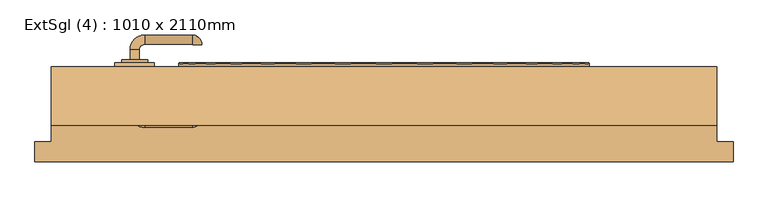
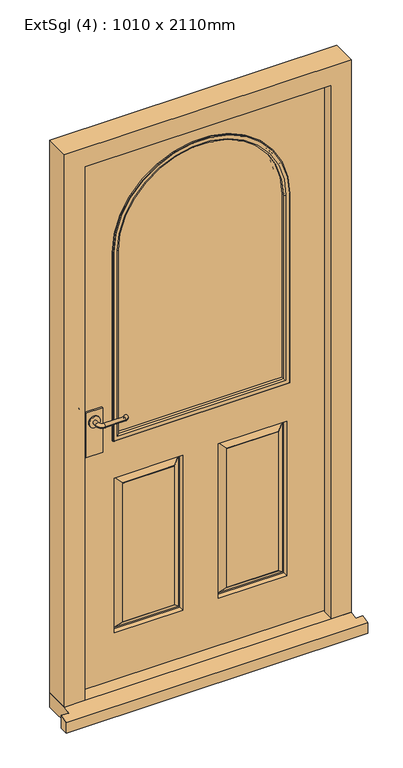
"""IFC4 building model written with IfcOpenShell, lengths in millimetres: door geometry, ExtSgl (4) : 1010 x 2110mm."""

from ifc_helpers import new_model, si_unit, point, frame, frame_2d, origin, place, context, project, spatial, polyline, circle_curve, ellipse_curve, trimmed, segment, composite_curve, outline, extrude, faceted_brep, source, transform, mapped, element, save
from ifc_brep_helpers import plane_surface, cylinder_surface, revolved_surface, advanced_brep


def extsgl_4_1010_x_2110mm_6954b51a(model_context):
    return source(origin(), model_context, "Body", "SolidModel", [
        extrude(outline(composite_curve([segment(trimmed(circle_curve(frame_2d((1050.0, -378.5)), 20.0), [point((1050.0, -398.5))], [point((1050.0, -358.5))], False, "CARTESIAN"), True, "CONTINUOUS"), segment(trimmed(circle_curve(frame_2d((1050.0, -378.5)), 20.0), [point((1050.0, -358.5))], [point((1050.0, -398.5))], False, "CARTESIAN"), True, "CONTINUOUS")], self_intersect=False)), frame((0.0, 58.0, 0.0), z_axis=(0.0, 1.0, 0.0), x_axis=(0.0, 0.0, 1.0)), (0.0, 0.0, 1.0), 4.5929895),
        advanced_brep(
        [(-371.5, 62.5929895, 1050.0), (-385.5, 62.5929895, 1050.0), (-371.5, 78.0, 1050.0), (-385.5, 78.0, 1050.0), (-363.5, 100.0, 1050.0), (-363.5, 86.0, 1050.0), (-291.5, 86.0, 1050.0), (-291.5, 100.0, 1050.0), (-290.5, 85.0, 1050.0), (-276.5, 85.0, 1050.0)],
        [
            (0, 1, circle_curve(frame((-378.5, 62.5929895, 1050.0), z_axis=(0.0, -1.0, 0.0), x_axis=(-1.0, 0.0, 0.0)), 7.0)),
            (1, 0, circle_curve(frame((-378.5, 62.5929895, 1050.0), z_axis=(0.0, -1.0, 0.0), x_axis=(-1.0, 0.0, 0.0)), 7.0)),
            (0, 2),
            (2, 3, circle_curve(frame((-378.5, 78.0, 1050.0), z_axis=(0.0, -1.0, 0.0), x_axis=(-1.0, 0.0, 0.0)), 7.0)),
            (3, 1),
            (3, 2, circle_curve(frame((-378.5, 78.0, 1050.0), z_axis=(0.0, -1.0, 0.0), x_axis=(-1.0, 0.0, 0.0)), 7.0)),
            (4, 3, circle_curve(frame((-363.5, 78.0, 1050.0), z_axis=(0.0, 0.0, 1.0), x_axis=(-1.0, 0.0, 0.0)), 22.0)),
            (2, 5, circle_curve(frame((-363.5, 78.0, 1050.0), z_axis=(0.0, 0.0, -1.0), x_axis=(-1.0, 0.0, 0.0)), 8.0)),
            (5, 4, circle_curve(frame((-363.5, 93.0, 1050.0), z_axis=(-1.0, 0.0, 0.0), x_axis=(0.0, 1.0, 0.0)), 7.0)),
            (4, 5, circle_curve(frame((-363.5, 93.0, 1050.0), z_axis=(-1.0, 0.0, 0.0), x_axis=(0.0, 1.0, 0.0)), 7.0)),
            (5, 6),
            (6, 7, circle_curve(frame((-291.5, 93.0, 1050.0), z_axis=(-1.0, 0.0, 0.0), x_axis=(0.0, 1.0, 0.0)), 7.0)),
            (7, 4),
            (7, 6, circle_curve(frame((-291.5, 93.0, 1050.0), z_axis=(-1.0, 0.0, 0.0), x_axis=(0.0, 1.0, 0.0)), 7.0)),
            (8, 9, circle_curve(frame((-283.5, 85.0, 1050.0), z_axis=(0.0, -1.0, 0.0), x_axis=(1.0, 0.0, 0.0)), 7.0)),
            (9, 8, circle_curve(frame((-283.5, 85.0, 1050.0), z_axis=(0.0, -1.0, 0.0), x_axis=(1.0, 0.0, 0.0)), 7.0)),
            (9, 7, circle_curve(frame((-291.5, 85.0, 1050.0), z_axis=(0.0, 0.0, 1.0), x_axis=(0.0, 1.0, 0.0)), 15.0)),
            (6, 8, circle_curve(frame((-291.5, 85.0, 1050.0), z_axis=(0.0, 0.0, -1.0), x_axis=(0.0, 1.0, 0.0)), 1.0)),
        ],
        [
            plane_surface(frame((-378.5, 62.5929895, 1050.0), z_axis=(0.0, -1.0, 0.0), x_axis=(0.0, 0.0, 1.0))),
            cylinder_surface(frame((-378.5, 62.5929895, 1050.0), z_axis=(0.0, -1.0, 0.0), x_axis=(-1.0, 0.0, 0.0)), 7.0),
            revolved_surface(trimmed(ellipse_curve(frame((-378.5, 78.0, 1050.0), z_axis=(0.0, -1.0, 0.0), x_axis=(-1.0, 0.0, 0.0)), 7.0, 7.0), [point((-371.5, 78.0, 1050.0))], [point((-385.5, 78.0, 1050.0))], True, "CARTESIAN"), (-363.5, 78.0, 1050.0), (0.0, 0.0, -1.0)),
            revolved_surface(trimmed(ellipse_curve(frame((-378.5, 78.0, 1050.0), z_axis=(0.0, -1.0, 0.0), x_axis=(-1.0, 0.0, 0.0)), 7.0, 7.0), [point((-385.5, 78.0, 1050.0))], [point((-371.5, 78.0, 1050.0))], True, "CARTESIAN"), (-363.5, 78.0, 1050.0), (0.0, 0.0, -1.0)),
            cylinder_surface(frame((-363.5, 93.0, 1050.0), z_axis=(-1.0, 0.0, 0.0), x_axis=(0.0, 1.0, 0.0)), 7.0),
            plane_surface(frame((-283.5, 85.0, 1050.0), z_axis=(0.0, -1.0, 0.0), x_axis=(0.0, 0.0, 1.0))),
            revolved_surface(trimmed(ellipse_curve(frame((-291.5, 93.0, 1050.0), z_axis=(-1.0, 0.0, 0.0), x_axis=(0.0, 1.0, 0.0)), 7.0, 7.0), [point((-291.5, 86.0, 1050.0))], [point((-291.5, 100.0, 1050.0))], True, "CARTESIAN"), (-291.5, 85.0, 1050.0), (0.0, 0.0, -1.0)),
            revolved_surface(trimmed(ellipse_curve(frame((-291.5, 93.0, 1050.0), z_axis=(-1.0, 0.0, 0.0), x_axis=(0.0, 1.0, 0.0)), 7.0, 7.0), [point((-291.5, 100.0, 1050.0))], [point((-291.5, 86.0, 1050.0))], True, "CARTESIAN"), (-291.5, 85.0, 1050.0), (0.0, 0.0, -1.0)),
        ],
        [
            (0, [[1, 2]]),
            (1, [[-1, 3, 4, 5]]),
            (1, [[-2, -5, 6, -3]]),
            (2, [[7, -4, 8, 9]]),
            (3, [[-8, -6, -7, 10]]),
            (4, [[-9, 11, 12, 13]]),
            (4, [[-10, -13, 14, -11]]),
            (5, [[15, 16]]),
            (6, [[17, -12, 18, -16]]),
            (7, [[-18, -14, -17, -15]]),
        ],
    ),
        extrude(outline(polyline([(-348.5, 52.0), (-408.5, 52.0), (-408.5, 58.0), (-348.5, 58.0), (-348.5, 52.0)])), frame((0.0, 0.0, 925.0), z_axis=(0.0, 0.0, 1.0), x_axis=(1.0, 0.0, 0.0)), (0.0, 0.0, 1.0), 165.0),
        extrude(outline(composite_curve([segment(trimmed(circle_curve(frame_2d((1050.0, -378.5)), 20.0), [point((1050.0, -398.5))], [point((1050.0, -358.5))], False, "CARTESIAN"), True, "CONTINUOUS"), segment(trimmed(circle_curve(frame_2d((1050.0, -378.5)), 20.0), [point((1050.0, -358.5))], [point((1050.0, -398.5))], False, "CARTESIAN"), True, "CONTINUOUS")], self_intersect=False)), frame((0.0, -2.5929895, 0.0), z_axis=(0.0, 1.0, 0.0), x_axis=(0.0, 0.0, 1.0)), (0.0, 0.0, 1.0), 4.5929895),
        advanced_brep(
        [(-371.5, -2.5929895, 1050.0), (-385.5, -2.5929895, 1050.0), (-385.5, -18.0, 1050.0), (-371.5, -18.0, 1050.0), (-363.5, -40.0, 1050.0), (-363.5, -26.0, 1050.0), (-291.5, -40.0, 1050.0), (-291.5, -26.0, 1050.0), (-290.5, -25.0, 1050.0), (-276.5, -25.0, 1050.0)],
        [
            (0, 1, circle_curve(frame((-378.5, -2.5929895, 1050.0), z_axis=(0.0, 1.0, 0.0), x_axis=(-1.0, 0.0, 0.0)), 7.0)),
            (1, 0, circle_curve(frame((-378.5, -2.5929895, 1050.0), z_axis=(0.0, 1.0, 0.0), x_axis=(-1.0, 0.0, 0.0)), 7.0)),
            (1, 2),
            (2, 3, circle_curve(frame((-378.5, -18.0, 1050.0), z_axis=(0.0, 1.0, 0.0), x_axis=(-1.0, 0.0, 0.0)), 7.0)),
            (3, 0),
            (3, 2, circle_curve(frame((-378.5, -18.0, 1050.0), z_axis=(0.0, 1.0, 0.0), x_axis=(-1.0, 0.0, 0.0)), 7.0)),
            (4, 5, circle_curve(frame((-363.5, -33.0, 1050.0), z_axis=(-1.0, 0.0, 0.0), x_axis=(0.0, -1.0, 0.0)), 7.0)),
            (5, 3, circle_curve(frame((-363.5, -18.0, 1050.0), z_axis=(0.0, 0.0, -1.0), x_axis=(-1.0, 0.0, 0.0)), 8.0)),
            (2, 4, circle_curve(frame((-363.5, -18.0, 1050.0), z_axis=(0.0, 0.0, 1.0), x_axis=(-1.0, 0.0, 0.0)), 22.0)),
            (5, 4, circle_curve(frame((-363.5, -33.0, 1050.0), z_axis=(-1.0, 0.0, 0.0), x_axis=(0.0, -1.0, 0.0)), 7.0)),
            (4, 6),
            (6, 7, circle_curve(frame((-291.5, -33.0, 1050.0), z_axis=(-1.0, 0.0, 0.0), x_axis=(0.0, -1.0, 0.0)), 7.0)),
            (7, 5),
            (7, 6, circle_curve(frame((-291.5, -33.0, 1050.0), z_axis=(-1.0, 0.0, 0.0), x_axis=(0.0, -1.0, 0.0)), 7.0)),
            (8, 9, circle_curve(frame((-283.5, -25.0, 1050.0), z_axis=(0.0, 1.0, 0.0), x_axis=(1.0, 0.0, 0.0)), 7.0)),
            (9, 8, circle_curve(frame((-283.5, -25.0, 1050.0), z_axis=(0.0, 1.0, 0.0), x_axis=(1.0, 0.0, 0.0)), 7.0)),
            (8, 7, circle_curve(frame((-291.5, -25.0, 1050.0), z_axis=(0.0, 0.0, -1.0), x_axis=(0.0, -1.0, 0.0)), 1.0)),
            (6, 9, circle_curve(frame((-291.5, -25.0, 1050.0), z_axis=(0.0, 0.0, 1.0), x_axis=(0.0, -1.0, 0.0)), 15.0)),
        ],
        [
            plane_surface(frame((-378.5, -2.5929895, 1050.0), z_axis=(0.0, 1.0, 0.0), x_axis=(0.0, 0.0, 1.0))),
            cylinder_surface(frame((-378.5, -2.5929895, 1050.0), z_axis=(0.0, 1.0, 0.0), x_axis=(-1.0, 0.0, 0.0)), 7.0),
            revolved_surface(trimmed(ellipse_curve(frame((-378.5, -18.0, 1050.0), z_axis=(0.0, -1.0, 0.0), x_axis=(-1.0, 0.0, 0.0)), 7.0, 7.0), [point((-371.5, -18.0, 1050.0))], [point((-385.5, -18.0, 1050.0))], True, "CARTESIAN"), (-363.5, -18.0, 1050.0), (0.0, 0.0, -1.0)),
            revolved_surface(trimmed(ellipse_curve(frame((-378.5, -18.0, 1050.0), z_axis=(0.0, -1.0, 0.0), x_axis=(-1.0, 0.0, 0.0)), 7.0, 7.0), [point((-385.5, -18.0, 1050.0))], [point((-371.5, -18.0, 1050.0))], True, "CARTESIAN"), (-363.5, -18.0, 1050.0), (0.0, 0.0, -1.0)),
            cylinder_surface(frame((-363.5, -33.0, 1050.0), z_axis=(-1.0, 0.0, 0.0), x_axis=(0.0, -1.0, 0.0)), 7.0),
            plane_surface(frame((-283.5, -25.0, 1050.0), z_axis=(0.0, 1.0, 0.0), x_axis=(0.0, 0.0, 1.0))),
            revolved_surface(trimmed(ellipse_curve(frame((-291.5, -33.0, 1050.0), z_axis=(1.0, 0.0, 0.0), x_axis=(0.0, -1.0, 0.0)), 7.0, 7.0), [point((-291.5, -26.0, 1050.0))], [point((-291.5, -40.0, 1050.0))], True, "CARTESIAN"), (-291.5, -25.0, 1050.0), (0.0, 0.0, -1.0)),
            revolved_surface(trimmed(ellipse_curve(frame((-291.5, -33.0, 1050.0), z_axis=(1.0, 0.0, 0.0), x_axis=(0.0, -1.0, 0.0)), 7.0, 7.0), [point((-291.5, -40.0, 1050.0))], [point((-291.5, -26.0, 1050.0))], True, "CARTESIAN"), (-291.5, -25.0, 1050.0), (0.0, 0.0, -1.0)),
        ],
        [
            (0, [[1, 2]]),
            (1, [[3, 4, 5, -2]]),
            (1, [[-5, 6, -3, -1]]),
            (2, [[7, 8, -4, 9]]),
            (3, [[10, -9, -6, -8]]),
            (4, [[11, 12, 13, -7]]),
            (4, [[-13, 14, -11, -10]]),
            (5, [[15, 16]]),
            (6, [[-15, 17, -12, 18]]),
            (7, [[-16, -18, -14, -17]]),
        ],
    ),
        extrude(outline(polyline([(-348.5, 8.0), (-348.5, 2.0), (-408.5, 2.0), (-408.5, 8.0), (-348.5, 8.0)])), frame((0.0, 0.0, 925.0), z_axis=(0.0, 0.0, 1.0), x_axis=(1.0, 0.0, 0.0)), (0.0, 0.0, 1.0), 165.0),
        faceted_brep([(434.5, -37.0, 54.5), (434.5, 5.0, 54.5), (456.5, 5.0, 54.5), (456.5, 52.0, 54.5), (505.0, 52.0, 54.5), (505.0, -37.0, 54.5), (505.0, -37.0, 2110.0), (-505.0, -37.0, 2110.0), (-505.0, -37.0, 54.5), (-434.5, -37.0, 54.5), (-434.5, -37.0, 2039.5), (434.5, -37.0, 2039.5), (505.0, 52.0, 2110.0), (456.5, 52.0, 2061.5), (-456.5, 52.0, 2061.5), (-456.5, 52.0, 54.5), (-505.0, 52.0, 54.5), (-505.0, 52.0, 2110.0), (456.5, 5.0, 2061.5), (434.5, 5.0, 2039.5), (-434.5, 5.0, 2039.5), (-434.5, 5.0, 54.5), (-456.5, 5.0, 54.5), (-456.5, 5.0, 2061.5)], [[[0, 1, 2, 3, 4, 5]], [[5, 6, 7, 8, 9, 10, 11, 0]], [[4, 12, 6, 5]], [[3, 13, 14, 15, 16, 17, 12, 4]], [[2, 18, 13, 3]], [[1, 19, 20, 21, 22, 23, 18, 2]], [[0, 11, 19, 1]], [[9, 21, 20, 10]], [[8, 16, 15, 22, 21, 9]], [[7, 17, 16, 8]], [[14, 23, 22, 15]], [[6, 12, 17, 7]], [[13, 18, 23, 14]], [[10, 20, 19, 11]]]),
        extrude(outline(composite_curve([segment(polyline([(958.5, -303.5), (958.5, 303.5), (1655.0, 303.5)]), True, "CONTINUOUS"), segment(trimmed(circle_curve(frame_2d((1655.0, 0.0)), 303.5), [point((1655.0, 303.5))], [point((1655.0, -303.5))], False, "CARTESIAN"), True, "CONTINUOUS"), segment(polyline([(1655.0, -303.5), (958.5, -303.5)]), True, "CONTINUOUS")], self_intersect=False)), frame((0.0, 18.0, 0.0), z_axis=(0.0, 1.0, 0.0), x_axis=(0.0, 0.0, 1.0)), (0.0, 0.0, 1.0), 24.0),
        faceted_brep([(530.0, -92.0, 0.0), (530.0, -62.0, 0.0), (530.0, -62.0, 47.2703282), (530.0, -92.0, 38.5947221), (-530.0, -92.0, 38.5947221), (-530.0, -62.0, 47.2703282), (-530.0, -62.0, 0.0), (-530.0, -92.0, 0.0), (-505.0, -62.0, 0.0), (-505.0, 52.0, 0.0), (505.0, 52.0, 0.0), (505.0, -62.0, 0.0), (505.0, -62.0, 47.2703282), (505.0, -37.0, 54.5), (-505.0, -37.0, 54.5), (-505.0, -62.0, 47.2703282), (505.0, 52.0, 54.5), (-505.0, 52.0, 54.5)], [[[0, 1, 2, 3]], [[4, 5, 6, 7]], [[7, 6, 8, 9, 10, 11, 1, 0]], [[3, 4, 7, 0]], [[3, 2, 12, 13, 14, 15, 5, 4]], [[14, 13, 16, 17]], [[17, 16, 10, 9]], [[15, 14, 17, 9, 8]], [[8, 6, 5, 15]], [[11, 10, 16, 13, 12]], [[12, 2, 1, 11]]]),
        advanced_brep(
        [(453.5, 52.0, 58.5), (-454.4250294, 52.0, 58.5), (-454.4250294, 52.0, 2058.5), (453.5, 52.0, 2058.5), (-303.5, 52.0, 958.5), (303.5, 52.0, 958.5), (303.5, 52.0, 1655.0), (-303.5, 52.0, 1655.0), (-62.5, 52.0, 808.5), (-303.5, 52.0, 808.5), (-303.5, 52.0, 233.5), (-62.5, 52.0, 233.5), (303.5, 52.0, 808.5), (62.5, 52.0, 808.5), (62.5, 52.0, 233.5), (303.5, 52.0, 233.5), (-92.5, 52.0, 263.5), (-273.5, 52.0, 263.5), (-273.5, 52.0, 778.5), (-92.5, 52.0, 778.5), (273.5, 52.0, 263.5), (92.5, 52.0, 263.5), (92.5, 52.0, 778.5), (273.5, 52.0, 778.5), (453.5, 8.0, 58.5), (453.5, 8.0, 2058.5), (-454.4250294, 8.0, 2058.5), (-454.4250294, 8.0, 58.5), (-303.5, 8.0, 958.5), (-303.5, 8.0, 1655.0), (303.5, 8.0, 1655.0), (303.5, 8.0, 958.5), (62.5, 8.0, 808.5), (303.5, 8.0, 808.5), (303.5, 8.0, 233.5), (62.5, 8.0, 233.5), (-303.5, 8.0, 808.5), (-62.5, 8.0, 808.5), (-62.5, 8.0, 233.5), (-303.5, 8.0, 233.5), (92.5, 8.0, 263.5), (273.5, 8.0, 263.5), (273.5, 8.0, 778.5), (92.5, 8.0, 778.5), (-273.5, 8.0, 263.5), (-92.5, 8.0, 263.5), (-92.5, 8.0, 778.5), (-273.5, 8.0, 778.5), (65.5, 23.0, 805.5), (65.5, 23.0, 236.5), (90.5, 9.0, 780.5), (70.5, 23.0, 800.5), (70.5, 23.0, 241.5), (90.5, 9.0, 261.5), (92.5, 9.0, 778.5), (92.5, 9.0, 263.5), (300.5, 23.0, 236.5), (295.5, 23.0, 241.5), (275.5, 9.0, 261.5), (273.5, 9.0, 263.5), (300.5, 23.0, 805.5), (295.5, 23.0, 800.5), (275.5, 9.0, 780.5), (273.5, 9.0, 778.5), (-300.5, 23.0, 805.5), (-300.5, 23.0, 236.5), (-275.5, 9.0, 780.5), (-295.5, 23.0, 800.5), (-295.5, 23.0, 241.5), (-275.5, 9.0, 261.5), (-273.5, 9.0, 778.5), (-273.5, 9.0, 263.5), (-65.5, 23.0, 236.5), (-70.5, 23.0, 241.5), (-90.5, 9.0, 261.5), (-92.5, 9.0, 263.5), (-65.5, 23.0, 805.5), (-70.5, 23.0, 800.5), (-90.5, 9.0, 780.5), (-92.5, 9.0, 778.5), (-92.5, 51.0, 263.5), (-92.5, 51.0, 778.5), (-70.5, 37.0, 241.5), (-90.5, 51.0, 261.5), (-90.5, 51.0, 780.5), (-70.5, 37.0, 800.5), (-65.5, 37.0, 236.5), (-65.5, 37.0, 805.5), (-273.5, 51.0, 778.5), (-275.5, 51.0, 780.5), (-295.5, 37.0, 800.5), (-300.5, 37.0, 805.5), (-273.5, 51.0, 263.5), (-275.5, 51.0, 261.5), (-295.5, 37.0, 241.5), (-300.5, 37.0, 236.5), (300.5, 37.0, 805.5), (300.5, 37.0, 236.5), (275.5, 51.0, 780.5), (295.5, 37.0, 800.5), (295.5, 37.0, 241.5), (275.5, 51.0, 261.5), (273.5, 51.0, 778.5), (273.5, 51.0, 263.5), (65.5, 37.0, 236.5), (70.5, 37.0, 241.5), (90.5, 51.0, 261.5), (92.5, 51.0, 263.5), (65.5, 37.0, 805.5), (70.5, 37.0, 800.5), (90.5, 51.0, 780.5), (92.5, 51.0, 778.5)],
        [
            (0, 1),
            (1, 2),
            (2, 3),
            (3, 0),
            (4, 5),
            (5, 6),
            (6, 7, circle_curve(frame((0.0, 52.0, 1655.0), z_axis=(0.0, -1.0, 0.0), x_axis=(1.0, 0.0, 0.0)), 303.5)),
            (7, 4),
            (8, 9),
            (9, 10),
            (10, 11),
            (11, 8),
            (12, 13),
            (13, 14),
            (14, 15),
            (15, 12),
            (16, 17),
            (17, 18),
            (18, 19),
            (19, 16),
            (20, 21),
            (21, 22),
            (22, 23),
            (23, 20),
            (24, 25),
            (25, 26),
            (26, 27),
            (27, 24),
            (28, 29),
            (29, 30, circle_curve(frame((0.0, 8.0, 1655.0), z_axis=(0.0, 1.0, 0.0), x_axis=(1.0, 0.0, 0.0)), 303.5)),
            (30, 31),
            (31, 28),
            (32, 33),
            (33, 34),
            (34, 35),
            (35, 32),
            (36, 37),
            (37, 38),
            (38, 39),
            (39, 36),
            (40, 41),
            (41, 42),
            (42, 43),
            (43, 40),
            (44, 45),
            (45, 46),
            (46, 47),
            (47, 44),
            (3, 25),
            (24, 0),
            (2, 26),
            (1, 27),
            (7, 29),
            (28, 4),
            (6, 30),
            (5, 31),
            (48, 32),
            (35, 49),
            (49, 48),
            (50, 51),
            (51, 52),
            (52, 53),
            (53, 50),
            (43, 54),
            (54, 55),
            (55, 40),
            (34, 56),
            (56, 49),
            (52, 57),
            (57, 58),
            (58, 53),
            (55, 59),
            (59, 41),
            (33, 60),
            (60, 56),
            (57, 61),
            (61, 62),
            (62, 58),
            (59, 63),
            (63, 42),
            (48, 60),
            (51, 61),
            (50, 62),
            (54, 63),
            (64, 36),
            (39, 65),
            (65, 64),
            (66, 67),
            (67, 68),
            (68, 69),
            (69, 66),
            (47, 70),
            (70, 71),
            (71, 44),
            (38, 72),
            (72, 65),
            (68, 73),
            (73, 74),
            (74, 69),
            (71, 75),
            (75, 45),
            (37, 76),
            (76, 72),
            (73, 77),
            (77, 78),
            (78, 74),
            (75, 79),
            (79, 46),
            (64, 76),
            (67, 77),
            (66, 78),
            (70, 79),
            (80, 16),
            (19, 81),
            (81, 80),
            (82, 83),
            (83, 84),
            (84, 85),
            (85, 82),
            (11, 86),
            (86, 87),
            (87, 8),
            (18, 88),
            (88, 81),
            (84, 89),
            (89, 90),
            (90, 85),
            (87, 91),
            (91, 9),
            (17, 92),
            (92, 88),
            (89, 93),
            (93, 94),
            (94, 90),
            (91, 95),
            (95, 10),
            (80, 92),
            (83, 93),
            (82, 94),
            (86, 95),
            (96, 12),
            (15, 97),
            (97, 96),
            (98, 99),
            (99, 100),
            (100, 101),
            (101, 98),
            (23, 102),
            (102, 103),
            (103, 20),
            (14, 104),
            (104, 97),
            (100, 105),
            (105, 106),
            (106, 101),
            (103, 107),
            (107, 21),
            (13, 108),
            (108, 104),
            (105, 109),
            (109, 110),
            (110, 106),
            (107, 111),
            (111, 22),
            (96, 108),
            (99, 109),
            (98, 110),
            (102, 111),
        ],
        [
            plane_surface(frame((453.5, 52.0, 58.5), z_axis=(0.0, 1.0, 0.0), x_axis=(0.0, 0.0, 1.0))),
            plane_surface(frame((453.5, 8.0, 58.5), z_axis=(0.0, -1.0, 0.0), x_axis=(0.0, 0.0, -1.0))),
            plane_surface(frame((453.5, 52.0, 58.5), z_axis=(1.0, 0.0, 0.0), x_axis=(0.0, -1.0, 0.0))),
            plane_surface(frame((453.5, 52.0, 2058.5), z_axis=(0.0, 0.0, 1.0), x_axis=(0.0, -1.0, 0.0))),
            plane_surface(frame((-454.4250294, 52.0, 2058.5), z_axis=(-1.0, 0.0, 0.0), x_axis=(0.0, -1.0, 0.0))),
            plane_surface(frame((-454.4250294, 52.0, 58.5), z_axis=(0.0, 0.0, -1.0), x_axis=(0.0, -1.0, 0.0))),
            plane_surface(frame((-303.5, 52.0, 958.5), z_axis=(1.0, 0.0, 0.0), x_axis=(0.0, -1.0, 0.0))),
            revolved_surface(polyline([(303.5, 8.0, 1655.0), (303.5, 52.0, 1655.0)]), (0.0, 52.0, 1655.0), (0.0, -1.0, 0.0)),
            plane_surface(frame((303.5, 52.0, 1655.0), z_axis=(-1.0, 0.0, 0.0), x_axis=(0.0, -1.0, 0.0))),
            plane_surface(frame((303.5, 52.0, 958.5), z_axis=(0.0, 0.0, 1.0), x_axis=(0.0, -1.0, 0.0))),
            plane_surface(frame((62.5, 8.0, 808.5), z_axis=(0.9805806756909202, -0.19611613513818407, 0.0), x_axis=(0.0, 0.0, -1.0))),
            plane_surface(frame((70.5, 23.0, 800.5), z_axis=(-0.5734623443633278, -0.8192319205190408, 0.0), x_axis=(0.0, 0.0, -1.0))),
            plane_surface(frame((92.5, 9.0, 778.5), z_axis=(-1.0, 0.0, 0.0), x_axis=(0.0, 0.0, -1.0))),
            plane_surface(frame((62.5, 8.0, 233.5), z_axis=(0.0, -0.19611613513818724, 0.9805806756909196), x_axis=(1.0, 0.0, 0.0))),
            plane_surface(frame((70.5, 23.0, 241.5), z_axis=(0.0, -0.819231920519039, -0.5734623443633305), x_axis=(1.0, 0.0, 0.0))),
            plane_surface(frame((92.5, 9.0, 263.5), z_axis=(0.0, 0.0, -1.0), x_axis=(1.0, 0.0, 0.0))),
            plane_surface(frame((303.5, 8.0, 233.5), z_axis=(-0.9805806756909189, -0.1961161351381904, 0.0), x_axis=(0.0, 0.0, 1.0))),
            plane_surface(frame((295.5, 23.0, 241.5), z_axis=(0.5734623443633332, -0.8192319205190371, 0.0), x_axis=(0.0, 0.0, 1.0))),
            plane_surface(frame((273.5, 9.0, 263.5), z_axis=(1.0, 0.0, 0.0), x_axis=(0.0, 0.0, 1.0))),
            plane_surface(frame((303.5, 8.0, 808.5), z_axis=(0.0, -0.19611613513818724, -0.9805806756909196), x_axis=(-1.0, 0.0, 0.0))),
            plane_surface(frame((300.5, 23.0, 805.5), z_axis=(0.0, -1.0, 0.0), x_axis=(-1.0, 0.0, 0.0))),
            plane_surface(frame((295.5, 23.0, 800.5), z_axis=(0.0, -0.819231920519039, 0.5734623443633305), x_axis=(-1.0, 0.0, 0.0))),
            plane_surface(frame((275.5, 9.0, 780.5), z_axis=(0.0, -1.0, 0.0), x_axis=(-1.0, 0.0, 0.0))),
            plane_surface(frame((273.5, 9.0, 778.5), z_axis=(0.0, 0.0, 1.0), x_axis=(-1.0, 0.0, 0.0))),
            plane_surface(frame((-303.5, 8.0, 808.5), z_axis=(0.9805806756909202, -0.19611613513818407, 0.0), x_axis=(0.0, 0.0, -1.0))),
            plane_surface(frame((-295.5, 23.0, 800.5), z_axis=(-0.5734623443633278, -0.8192319205190408, 0.0), x_axis=(0.0, 0.0, -1.0))),
            plane_surface(frame((-273.5, 9.0, 778.5), z_axis=(-1.0, 0.0, 0.0), x_axis=(0.0, 0.0, -1.0))),
            plane_surface(frame((-303.5, 8.0, 233.5), z_axis=(0.0, -0.19611613513818724, 0.9805806756909196), x_axis=(1.0, 0.0, 0.0))),
            plane_surface(frame((-295.5, 23.0, 241.5), z_axis=(0.0, -0.819231920519039, -0.5734623443633305), x_axis=(1.0, 0.0, 0.0))),
            plane_surface(frame((-273.5, 9.0, 263.5), z_axis=(0.0, 0.0, -1.0), x_axis=(1.0, 0.0, 0.0))),
            plane_surface(frame((-62.5, 8.0, 233.5), z_axis=(-0.9805806756909189, -0.1961161351381904, 0.0), x_axis=(0.0, 0.0, 1.0))),
            plane_surface(frame((-70.5, 23.0, 241.5), z_axis=(0.5734623443633332, -0.8192319205190371, 0.0), x_axis=(0.0, 0.0, 1.0))),
            plane_surface(frame((-92.5, 9.0, 263.5), z_axis=(1.0, 0.0, 0.0), x_axis=(0.0, 0.0, 1.0))),
            plane_surface(frame((-62.5, 8.0, 808.5), z_axis=(0.0, -0.19611613513818724, -0.9805806756909196), x_axis=(-1.0, 0.0, 0.0))),
            plane_surface(frame((-65.5, 23.0, 805.5), z_axis=(0.0, -1.0, 0.0), x_axis=(-1.0, 0.0, 0.0))),
            plane_surface(frame((-70.5, 23.0, 800.5), z_axis=(0.0, -0.819231920519039, 0.5734623443633305), x_axis=(-1.0, 0.0, 0.0))),
            plane_surface(frame((-90.5, 9.0, 780.5), z_axis=(0.0, -1.0, 0.0), x_axis=(-1.0, 0.0, 0.0))),
            plane_surface(frame((-92.5, 9.0, 778.5), z_axis=(0.0, 0.0, 1.0), x_axis=(-1.0, 0.0, 0.0))),
            plane_surface(frame((-92.5, 52.0, 263.5), z_axis=(1.0, 0.0, 0.0), x_axis=(0.0, 0.0, 1.0))),
            plane_surface(frame((-90.5, 51.0, 261.5), z_axis=(0.5734623443633224, 0.8192319205190447, 0.0), x_axis=(0.0, 0.0, 1.0))),
            plane_surface(frame((-65.5, 37.0, 236.5), z_axis=(-0.9805806756909214, 0.1961161351381778, 0.0), x_axis=(0.0, 0.0, 1.0))),
            plane_surface(frame((-92.5, 52.0, 778.5), z_axis=(0.0, 0.0, 1.0), x_axis=(-1.0, 0.0, 0.0))),
            plane_surface(frame((-90.5, 51.0, 780.5), z_axis=(0.0, 0.8192319205190428, 0.5734623443633251), x_axis=(-1.0, 0.0, 0.0))),
            plane_surface(frame((-65.5, 37.0, 805.5), z_axis=(0.0, 0.19611613513818096, -0.9805806756909208), x_axis=(-1.0, 0.0, 0.0))),
            plane_surface(frame((-273.5, 52.0, 778.5), z_axis=(-1.0, 0.0, 0.0), x_axis=(0.0, 0.0, -1.0))),
            plane_surface(frame((-275.5, 51.0, 780.5), z_axis=(-0.5734623443633277, 0.8192319205190409, 0.0), x_axis=(0.0, 0.0, -1.0))),
            plane_surface(frame((-300.5, 37.0, 805.5), z_axis=(0.9805806756909201, 0.19611613513818418, 0.0), x_axis=(0.0, 0.0, -1.0))),
            plane_surface(frame((-273.5, 52.0, 263.5), z_axis=(0.0, 0.0, -1.0), x_axis=(1.0, 0.0, 0.0))),
            plane_surface(frame((-273.5, 51.0, 263.5), z_axis=(0.0, 1.0, 0.0), x_axis=(1.0, 0.0, 0.0))),
            plane_surface(frame((-275.5, 51.0, 261.5), z_axis=(0.0, 0.8192319205190429, -0.573462344363325), x_axis=(1.0, 0.0, 0.0))),
            plane_surface(frame((-295.5, 37.0, 241.5), z_axis=(0.0, 1.0, 0.0), x_axis=(1.0, 0.0, 0.0))),
            plane_surface(frame((-300.5, 37.0, 236.5), z_axis=(0.0, 0.19611613513818107, 0.9805806756909208), x_axis=(1.0, 0.0, 0.0))),
            plane_surface(frame((303.5, 52.0, 808.5), z_axis=(-0.9805806756909202, 0.19611613513818407, 0.0), x_axis=(0.0, 0.0, -1.0))),
            plane_surface(frame((295.5, 37.0, 800.5), z_axis=(0.5734623443633278, 0.8192319205190408, 0.0), x_axis=(0.0, 0.0, -1.0))),
            plane_surface(frame((273.5, 51.0, 778.5), z_axis=(1.0, 0.0, 0.0), x_axis=(0.0, 0.0, -1.0))),
            plane_surface(frame((303.5, 52.0, 233.5), z_axis=(0.0, 0.19611613513818724, 0.9805806756909196), x_axis=(-1.0, 0.0, 0.0))),
            plane_surface(frame((295.5, 37.0, 241.5), z_axis=(0.0, 0.819231920519039, -0.5734623443633305), x_axis=(-1.0, 0.0, 0.0))),
            plane_surface(frame((273.5, 51.0, 263.5), z_axis=(0.0, 0.0, -1.0), x_axis=(-1.0, 0.0, 0.0))),
            plane_surface(frame((62.5, 52.0, 233.5), z_axis=(0.9805806756909189, 0.19611613513819046, 0.0), x_axis=(0.0, 0.0, 1.0))),
            plane_surface(frame((70.5, 37.0, 241.5), z_axis=(-0.5734623443633331, 0.8192319205190371, 0.0), x_axis=(0.0, 0.0, 1.0))),
            plane_surface(frame((92.5, 51.0, 263.5), z_axis=(-1.0, 0.0, 0.0), x_axis=(0.0, 0.0, 1.0))),
            plane_surface(frame((62.5, 52.0, 808.5), z_axis=(0.0, 0.19611613513818735, -0.9805806756909196), x_axis=(1.0, 0.0, 0.0))),
            plane_surface(frame((65.5, 37.0, 805.5), z_axis=(0.0, 1.0, 0.0), x_axis=(1.0, 0.0, 0.0))),
            plane_surface(frame((70.5, 37.0, 800.5), z_axis=(0.0, 0.819231920519039, 0.5734623443633303), x_axis=(1.0, 0.0, 0.0))),
            plane_surface(frame((90.5, 51.0, 780.5), z_axis=(0.0, 1.0, 0.0), x_axis=(1.0, 0.0, 0.0))),
            plane_surface(frame((92.5, 51.0, 778.5), z_axis=(0.0, 0.0, 1.0), x_axis=(1.0, 0.0, 0.0))),
        ],
        [
            (0, [[1, 2, 3, 4], [5, 6, 7, 8], [9, 10, 11, 12], [13, 14, 15, 16]]),
            (0, [[17, 18, 19, 20]]),
            (0, [[21, 22, 23, 24]]),
            (1, [[25, 26, 27, 28], [29, 30, 31, 32], [33, 34, 35, 36], [37, 38, 39, 40]]),
            (1, [[41, 42, 43, 44]]),
            (1, [[45, 46, 47, 48]]),
            (2, [[49, -25, 50, -4]]),
            (3, [[51, -26, -49, -3]]),
            (4, [[52, -27, -51, -2]]),
            (5, [[-50, -28, -52, -1]]),
            (6, [[53, -29, 54, -8]]),
            (7, [[55, -30, -53, -7]]),
            (8, [[56, -31, -55, -6]]),
            (9, [[-54, -32, -56, -5]]),
            (10, [[57, -36, 58, 59]]),
            (11, [[60, 61, 62, 63]]),
            (12, [[-44, 64, 65, 66]]),
            (13, [[-35, 67, 68, -58]]),
            (14, [[69, 70, 71, -62]]),
            (15, [[72, 73, -41, -66]]),
            (16, [[-34, 74, 75, -67]]),
            (17, [[76, 77, 78, -70]]),
            (18, [[79, 80, -42, -73]]),
            (19, [[81, -74, -33, -57]]),
            (20, [[-68, -75, -81, -59], [82, -76, -69, -61]]),
            (21, [[83, -77, -82, -60]]),
            (22, [[-71, -78, -83, -63], [84, -79, -72, -65]]),
            (23, [[-43, -80, -84, -64]]),
            (24, [[85, -40, 86, 87]]),
            (25, [[88, 89, 90, 91]]),
            (26, [[-48, 92, 93, 94]]),
            (27, [[-39, 95, 96, -86]]),
            (28, [[97, 98, 99, -90]]),
            (29, [[100, 101, -45, -94]]),
            (30, [[-38, 102, 103, -95]]),
            (31, [[104, 105, 106, -98]]),
            (32, [[107, 108, -46, -101]]),
            (33, [[109, -102, -37, -85]]),
            (34, [[-96, -103, -109, -87], [110, -104, -97, -89]]),
            (35, [[111, -105, -110, -88]]),
            (36, [[-99, -106, -111, -91], [112, -107, -100, -93]]),
            (37, [[-47, -108, -112, -92]]),
            (38, [[113, -20, 114, 115]]),
            (39, [[116, 117, 118, 119]]),
            (40, [[-12, 120, 121, 122]]),
            (41, [[-19, 123, 124, -114]]),
            (42, [[125, 126, 127, -118]]),
            (43, [[128, 129, -9, -122]]),
            (44, [[-18, 130, 131, -123]]),
            (45, [[132, 133, 134, -126]]),
            (46, [[135, 136, -10, -129]]),
            (47, [[137, -130, -17, -113]]),
            (48, [[138, -132, -125, -117], [-124, -131, -137, -115]]),
            (49, [[139, -133, -138, -116]]),
            (50, [[140, -135, -128, -121], [-127, -134, -139, -119]]),
            (51, [[-11, -136, -140, -120]]),
            (52, [[141, -16, 142, 143]]),
            (53, [[144, 145, 146, 147]]),
            (54, [[-24, 148, 149, 150]]),
            (55, [[-15, 151, 152, -142]]),
            (56, [[153, 154, 155, -146]]),
            (57, [[156, 157, -21, -150]]),
            (58, [[-14, 158, 159, -151]]),
            (59, [[160, 161, 162, -154]]),
            (60, [[163, 164, -22, -157]]),
            (61, [[165, -158, -13, -141]]),
            (62, [[-152, -159, -165, -143], [166, -160, -153, -145]]),
            (63, [[167, -161, -166, -144]]),
            (64, [[-155, -162, -167, -147], [168, -163, -156, -149]]),
            (65, [[-23, -164, -168, -148]]),
        ],
    ),
        advanced_brep(
        [(311.5, 56.0, 950.5), (311.5, 56.0, 1655.0), (311.5, 52.0, 1655.0), (311.5, 52.0, 950.5), (309.5, 58.0, 952.5), (309.5, 58.0, 1655.0), (291.5, 53.0, 970.5), (291.5, 53.0, 1655.0), (296.5, 58.0, 1655.0), (296.5, 58.0, 965.5), (291.5, 42.0, 970.5), (291.5, 42.0, 1655.0), (303.5, 52.0, 958.5), (303.5, 52.0, 1655.0), (303.5, 42.0, 1655.0), (303.5, 42.0, 958.5), (-311.5, 56.0, 1655.0), (-311.5, 52.0, 1655.0), (-309.5, 58.0, 1655.0), (-309.5, 58.0, 952.5), (-296.5, 58.0, 1655.0), (-296.5, 58.0, 965.5), (-291.5, 53.0, 1655.0), (-291.5, 42.0, 1655.0), (-303.5, 42.0, 1655.0), (-303.5, 42.0, 958.5), (-291.5, 42.0, 970.5), (-303.5, 52.0, 1655.0), (-311.5, 52.0, 950.5), (-303.5, 52.0, 958.5), (-311.5, 56.0, 950.5), (-291.5, 53.0, 970.5)],
        [
            (0, 1),
            (1, 2),
            (2, 3),
            (3, 0),
            (4, 5),
            (5, 1, circle_curve(frame((309.5, 56.0, 1655.0), z_axis=(0.0, 0.0, -1.0), x_axis=(1.0, 0.0, 0.0)), 2.0)),
            (0, 4, ellipse_curve(frame((309.5, 56.0, 952.5), z_axis=(0.707106781186543, 0.0, 0.707106781186552), x_axis=(0.707106781186552, 0.0, -0.707106781186543)), 2.8284271, 2.0)),
            (6, 7),
            (7, 8, circle_curve(frame((296.5, 53.0, 1655.0), z_axis=(0.0, 0.0, -1.0), x_axis=(1.0, 0.0, 0.0)), 5.0)),
            (8, 9),
            (9, 6, ellipse_curve(frame((296.5, 53.0, 965.5), z_axis=(0.707106781186543, 0.0, 0.707106781186552), x_axis=(0.707106781186552, 0.0, -0.707106781186543)), 7.0710678, 5.0)),
            (10, 11),
            (11, 7),
            (6, 10),
            (12, 13),
            (13, 14),
            (14, 15),
            (15, 12),
            (16, 17),
            (17, 2, circle_curve(frame((0.0, 52.0, 1655.0), z_axis=(0.0, 1.0, 0.0), x_axis=(1.0, 0.0, 0.0)), 311.5)),
            (1, 16, circle_curve(frame((0.0, 56.0, 1655.0), z_axis=(0.0, -1.0, 0.0), x_axis=(1.0, 0.0, 0.0)), 311.5)),
            (18, 16, circle_curve(frame((-309.5, 56.0, 1655.0), z_axis=(0.0, 0.0, 1.0), x_axis=(-1.0, 0.0, 0.0)), 2.0)),
            (5, 18, circle_curve(frame((0.0, 58.0, 1655.0), z_axis=(0.0, -1.0, 0.0), x_axis=(1.0, 0.0, 0.0)), 309.5)),
            (4, 19),
            (19, 18),
            (20, 21),
            (21, 9),
            (8, 20, circle_curve(frame((0.0, 58.0, 1655.0), z_axis=(0.0, -1.0, 0.0), x_axis=(1.0, 0.0, 0.0)), 296.5)),
            (22, 20, circle_curve(frame((-296.5, 53.0, 1655.0), z_axis=(0.0, 0.0, 1.0), x_axis=(-1.0, 0.0, 0.0)), 5.0)),
            (7, 22, circle_curve(frame((0.0, 53.0, 1655.0), z_axis=(0.0, -1.0, 0.0), x_axis=(1.0, 0.0, 0.0)), 291.5)),
            (23, 22),
            (11, 23, circle_curve(frame((0.0, 42.0, 1655.0), z_axis=(0.0, -1.0, 0.0), x_axis=(1.0, 0.0, 0.0)), 291.5)),
            (24, 25),
            (25, 15),
            (14, 24, circle_curve(frame((0.0, 42.0, 1655.0), z_axis=(0.0, -1.0, 0.0), x_axis=(1.0, 0.0, 0.0)), 303.5)),
            (10, 26),
            (26, 23),
            (27, 24),
            (13, 27, circle_curve(frame((0.0, 52.0, 1655.0), z_axis=(0.0, -1.0, 0.0), x_axis=(1.0, 0.0, 0.0)), 303.5)),
            (17, 28),
            (28, 3),
            (12, 29),
            (29, 27),
            (16, 30),
            (30, 28),
            (19, 30, ellipse_curve(frame((-309.5, 56.0, 952.5), z_axis=(-0.7071067811865519, 0.0, 0.707106781186543), x_axis=(0.7071067811865429, 0.0, 0.707106781186552)), 2.8284271, 2.0)),
            (22, 31),
            (31, 21, ellipse_curve(frame((-296.5, 53.0, 965.5), z_axis=(-0.7071067811865519, 0.0, 0.707106781186543), x_axis=(0.7071067811865429, 0.0, 0.707106781186552)), 7.0710678, 5.0)),
            (26, 31),
            (29, 25),
            (30, 0),
            (31, 6),
        ],
        [
            plane_surface(frame((311.5, 52.0, 950.5), z_axis=(1.0, 0.0, 0.0), x_axis=(0.0, 0.0, 1.0))),
            cylinder_surface(frame((309.5, 56.0, 958.5), z_axis=(0.0, 0.0, -1.0), x_axis=(1.0, 0.0, 0.0)), 2.0),
            cylinder_surface(frame((296.5, 53.0, 958.5), z_axis=(0.0, 0.0, -1.0), x_axis=(1.0, 0.0, 0.0)), 5.0),
            plane_surface(frame((291.5, 53.0, 970.5), z_axis=(-1.0, 0.0, 0.0), x_axis=(0.0, 0.0, 1.0))),
            plane_surface(frame((303.5, 42.0, 958.5), z_axis=(1.0, 0.0, 0.0), x_axis=(0.0, 0.0, 1.0))),
            cylinder_surface(frame((0.0, 52.0, 1655.0), z_axis=(0.0, 1.0, 0.0), x_axis=(1.0, 0.0, 0.0)), 311.5),
            revolved_surface(trimmed(ellipse_curve(frame((309.5, 56.0, 1655.0), z_axis=(0.0, 0.0, 1.0), x_axis=(1.0, 0.0, 0.0)), 2.0, 2.0), [point((311.5, 56.0, 1655.0))], [point((309.5, 58.0, 1655.0))], True, "CARTESIAN"), (0.0, 52.0, 1655.0), (0.0, 1.0, 0.0)),
            plane_surface(frame((0.0, 58.0, 1655.0), z_axis=(0.0, 1.0, 0.0), x_axis=(1.0, 0.0, 0.0))),
            revolved_surface(trimmed(ellipse_curve(frame((296.5, 53.0, 1655.0), z_axis=(0.0, 0.0, 1.0), x_axis=(1.0, 0.0, 0.0)), 5.0, 5.0), [point((296.5, 58.0, 1655.0))], [point((291.5, 53.0, 1655.0))], True, "CARTESIAN"), (0.0, 52.0, 1655.0), (0.0, 1.0, 0.0)),
            revolved_surface(polyline([(291.5, 53.0, 1655.0), (291.5, 42.0, 1655.0)]), (0.0, 52.0, 1655.0), (0.0, 1.0, 0.0)),
            plane_surface(frame((0.0, 42.0, 1655.0), z_axis=(0.0, -1.0, 0.0), x_axis=(1.0, 0.0, 0.0))),
            cylinder_surface(frame((0.0, 52.0, 1655.0), z_axis=(0.0, 1.0, 0.0), x_axis=(1.0, 0.0, 0.0)), 303.5),
            plane_surface(frame((0.0, 52.0, 1655.0), z_axis=(0.0, -1.0, 0.0), x_axis=(1.0, 0.0, 0.0))),
            plane_surface(frame((-311.5, 52.0, 1655.0), z_axis=(-1.0, 0.0, 0.0), x_axis=(0.0, 0.0, -1.0))),
            cylinder_surface(frame((-309.5, 56.0, 1655.0), z_axis=(0.0, 0.0, 1.0), x_axis=(-1.0, 0.0, 0.0)), 2.0),
            cylinder_surface(frame((-296.5, 53.0, 1655.0), z_axis=(0.0, 0.0, 1.0), x_axis=(-1.0, 0.0, 0.0)), 5.0),
            plane_surface(frame((-291.5, 53.0, 1655.0), z_axis=(1.0, 0.0, 0.0), x_axis=(0.0, 0.0, -1.0))),
            plane_surface(frame((-303.5, 42.0, 1655.0), z_axis=(-1.0, 0.0, 0.0), x_axis=(0.0, 0.0, -1.0))),
            plane_surface(frame((-311.5, 52.0, 950.5), z_axis=(0.0, 0.0, -1.0), x_axis=(1.0, 0.0, 0.0))),
            cylinder_surface(frame((-303.5, 56.0, 952.5), z_axis=(-1.0, 0.0, 0.0), x_axis=(0.0, 0.0, -1.0)), 2.0),
            cylinder_surface(frame((-303.5, 53.0, 965.5), z_axis=(-1.0, 0.0, 0.0), x_axis=(0.0, 0.0, -1.0)), 5.0),
            plane_surface(frame((-291.5, 53.0, 970.5), z_axis=(0.0, 0.0, 1.0), x_axis=(1.0, 0.0, 0.0))),
            plane_surface(frame((-303.5, 42.0, 958.5), z_axis=(0.0, 0.0, -1.0), x_axis=(1.0, 0.0, 0.0))),
        ],
        [
            (0, [[1, 2, 3, 4]]),
            (1, [[5, 6, -1, 7]]),
            (2, [[8, 9, 10, 11]]),
            (3, [[12, 13, -8, 14]]),
            (4, [[15, 16, 17, 18]]),
            (5, [[19, 20, -2, 21]]),
            (6, [[22, -21, -6, 23]]),
            (7, [[-23, -5, 24, 25], [26, 27, -10, 28]]),
            (8, [[29, -28, -9, 30]]),
            (9, [[31, -30, -13, 32]]),
            (10, [[33, 34, -17, 35], [-32, -12, 36, 37]]),
            (11, [[38, -35, -16, 39]]),
            (12, [[40, 41, -3, -20], [-39, -15, 42, 43]]),
            (13, [[44, 45, -40, -19]]),
            (14, [[-25, 46, -44, -22]]),
            (15, [[47, 48, -26, -29]]),
            (16, [[-37, 49, -47, -31]]),
            (17, [[-43, 50, -33, -38]]),
            (18, [[51, -4, -41, -45]]),
            (19, [[-24, -7, -51, -46]]),
            (20, [[52, -11, -27, -48]]),
            (21, [[-36, -14, -52, -49]]),
            (22, [[-42, -18, -34, -50]]),
        ],
    ),
        advanced_brep(
        [(-311.5, 4.0, 950.5), (-311.5, 4.0, 1655.0), (-311.5, 8.0, 1655.0), (-311.5, 8.0, 950.5), (-309.5, 2.0, 952.5), (-309.5, 2.0, 1655.0), (-291.5, 7.0, 970.5), (-291.5, 7.0, 1655.0), (-296.5, 2.0, 1655.0), (-296.5, 2.0, 965.5), (-291.5, 18.0, 970.5), (-291.5, 18.0, 1655.0), (-303.5, 8.0, 958.5), (-303.5, 8.0, 1655.0), (-303.5, 18.0, 1655.0), (-303.5, 18.0, 958.5), (311.5, 4.0, 1655.0), (311.5, 8.0, 1655.0), (309.5, 2.0, 1655.0), (309.5, 2.0, 952.5), (296.5, 2.0, 1655.0), (296.5, 2.0, 965.5), (291.5, 7.0, 1655.0), (291.5, 18.0, 1655.0), (303.5, 18.0, 1655.0), (303.5, 18.0, 958.5), (291.5, 18.0, 970.5), (303.5, 8.0, 1655.0), (311.5, 8.0, 950.5), (303.5, 8.0, 958.5), (311.5, 4.0, 950.5), (291.5, 7.0, 970.5)],
        [
            (0, 1),
            (1, 2),
            (2, 3),
            (3, 0),
            (4, 5),
            (5, 1, circle_curve(frame((-309.5, 4.0, 1655.0), z_axis=(0.0, 0.0, -1.0), x_axis=(-1.0, 0.0, 0.0)), 2.0)),
            (0, 4, ellipse_curve(frame((-309.5, 4.0, 952.5), z_axis=(-0.7071067811865475, 0.0, 0.7071067811865476), x_axis=(-0.7071067811865476, 0.0, -0.7071067811865475)), 2.8284271, 2.0)),
            (6, 7),
            (7, 8, circle_curve(frame((-296.5, 7.0, 1655.0), z_axis=(0.0, 0.0, -1.0), x_axis=(-1.0, 0.0, 0.0)), 5.0)),
            (8, 9),
            (9, 6, ellipse_curve(frame((-296.5, 7.0, 965.5), z_axis=(-0.7071067811865475, 0.0, 0.7071067811865476), x_axis=(-0.7071067811865476, 0.0, -0.7071067811865475)), 7.0710678, 5.0)),
            (10, 11),
            (11, 7),
            (6, 10),
            (12, 13),
            (13, 14),
            (14, 15),
            (15, 12),
            (16, 17),
            (17, 2, circle_curve(frame((0.0, 8.0, 1655.0), z_axis=(0.0, -1.0, 0.0), x_axis=(-1.0, 0.0, 0.0)), 311.5)),
            (1, 16, circle_curve(frame((0.0, 4.0, 1655.0), z_axis=(0.0, 1.0, 0.0), x_axis=(-1.0, 0.0, 0.0)), 311.5)),
            (18, 16, circle_curve(frame((309.5, 4.0, 1655.0), z_axis=(0.0, 0.0, 1.0), x_axis=(1.0, 0.0, 0.0)), 2.0)),
            (5, 18, circle_curve(frame((0.0, 2.0, 1655.0), z_axis=(0.0, 1.0, 0.0), x_axis=(-1.0, 0.0, 0.0)), 309.5)),
            (4, 19),
            (19, 18),
            (20, 21),
            (21, 9),
            (8, 20, circle_curve(frame((0.0, 2.0, 1655.0), z_axis=(0.0, 1.0, 0.0), x_axis=(-1.0, 0.0, 0.0)), 296.5)),
            (22, 20, circle_curve(frame((296.5, 7.0, 1655.0), z_axis=(0.0, 0.0, 1.0), x_axis=(1.0, 0.0, 0.0)), 5.0)),
            (7, 22, circle_curve(frame((0.0, 7.0, 1655.0), z_axis=(0.0, 1.0, 0.0), x_axis=(-1.0, 0.0, 0.0)), 291.5)),
            (23, 22),
            (11, 23, circle_curve(frame((0.0, 18.0, 1655.0), z_axis=(0.0, 1.0, 0.0), x_axis=(-1.0, 0.0, 0.0)), 291.5)),
            (24, 25),
            (25, 15),
            (14, 24, circle_curve(frame((0.0, 18.0, 1655.0), z_axis=(0.0, 1.0, 0.0), x_axis=(-1.0, 0.0, 0.0)), 303.5)),
            (10, 26),
            (26, 23),
            (27, 24),
            (13, 27, circle_curve(frame((0.0, 8.0, 1655.0), z_axis=(0.0, 1.0, 0.0), x_axis=(-1.0, 0.0, 0.0)), 303.5)),
            (17, 28),
            (28, 3),
            (12, 29),
            (29, 27),
            (16, 30),
            (30, 28),
            (19, 30, ellipse_curve(frame((309.5, 4.0, 952.5), z_axis=(0.7071067811865475, 0.0, 0.7071067811865475), x_axis=(-0.7071067811865474, 0.0, 0.7071067811865477)), 2.8284271, 2.0)),
            (22, 31),
            (31, 21, ellipse_curve(frame((296.5, 7.0, 965.5), z_axis=(0.7071067811865475, 0.0, 0.7071067811865475), x_axis=(-0.7071067811865474, 0.0, 0.7071067811865477)), 7.0710678, 5.0)),
            (26, 31),
            (29, 25),
            (30, 0),
            (31, 6),
        ],
        [
            plane_surface(frame((-311.5, 8.0, 950.5), z_axis=(-1.0, 0.0, 0.0), x_axis=(0.0, 0.0, 1.0))),
            cylinder_surface(frame((-309.5, 4.0, 958.5), z_axis=(0.0, 0.0, -1.0), x_axis=(-1.0, 0.0, 0.0)), 2.0),
            cylinder_surface(frame((-296.5, 7.0, 958.5), z_axis=(0.0, 0.0, -1.0), x_axis=(-1.0, 0.0, 0.0)), 5.0),
            plane_surface(frame((-291.5, 7.0, 970.5), z_axis=(1.0, 0.0, 0.0), x_axis=(0.0, 0.0, 1.0))),
            plane_surface(frame((-303.5, 18.0, 958.5), z_axis=(-1.0, 0.0, 0.0), x_axis=(0.0, 0.0, 1.0))),
            cylinder_surface(frame((0.0, 8.0, 1655.0), z_axis=(0.0, -1.0, 0.0), x_axis=(-1.0, 0.0, 0.0)), 311.5),
            revolved_surface(trimmed(ellipse_curve(frame((-309.5, 4.0, 1655.0), z_axis=(0.0, 0.0, 1.0), x_axis=(-1.0, 0.0, 0.0)), 2.0, 2.0), [point((-311.5, 4.0, 1655.0))], [point((-309.5, 2.0, 1655.0))], True, "CARTESIAN"), (0.0, 8.0, 1655.0), (0.0, -1.0, 0.0)),
            plane_surface(frame((0.0, 2.0, 1655.0), z_axis=(0.0, -1.0, 0.0), x_axis=(-1.0, 0.0, 0.0))),
            revolved_surface(trimmed(ellipse_curve(frame((-296.5, 7.0, 1655.0), z_axis=(0.0, 0.0, 1.0), x_axis=(-1.0, 0.0, 0.0)), 5.0, 5.0), [point((-296.5, 2.0, 1655.0))], [point((-291.5, 7.0, 1655.0))], True, "CARTESIAN"), (0.0, 8.0, 1655.0), (0.0, -1.0, 0.0)),
            revolved_surface(polyline([(-291.5, 7.0, 1655.0), (-291.5, 18.0, 1655.0)]), (0.0, 8.0, 1655.0), (0.0, -1.0, 0.0)),
            plane_surface(frame((0.0, 18.0, 1655.0), z_axis=(0.0, 1.0, 0.0), x_axis=(-1.0, 0.0, 0.0))),
            cylinder_surface(frame((0.0, 8.0, 1655.0), z_axis=(0.0, -1.0, 0.0), x_axis=(-1.0, 0.0, 0.0)), 303.5),
            plane_surface(frame((0.0, 8.0, 1655.0), z_axis=(0.0, 1.0, 0.0), x_axis=(-1.0, 0.0, 0.0))),
            plane_surface(frame((311.5, 8.0, 1655.0), z_axis=(1.0, 0.0, 0.0), x_axis=(0.0, 0.0, -1.0))),
            cylinder_surface(frame((309.5, 4.0, 1655.0), z_axis=(0.0, 0.0, 1.0), x_axis=(1.0, 0.0, 0.0)), 2.0),
            cylinder_surface(frame((296.5, 7.0, 1655.0), z_axis=(0.0, 0.0, 1.0), x_axis=(1.0, 0.0, 0.0)), 5.0),
            plane_surface(frame((291.5, 7.0, 1655.0), z_axis=(-1.0, 0.0, 0.0), x_axis=(0.0, 0.0, -1.0))),
            plane_surface(frame((303.5, 18.0, 1655.0), z_axis=(1.0, 0.0, 0.0), x_axis=(0.0, 0.0, -1.0))),
            plane_surface(frame((311.5, 8.0, 950.5), z_axis=(0.0, 0.0, -1.0), x_axis=(-1.0, 0.0, 0.0))),
            cylinder_surface(frame((303.5, 4.0, 952.5), z_axis=(1.0, 0.0, 0.0), x_axis=(0.0, 0.0, -1.0)), 2.0),
            cylinder_surface(frame((303.5, 7.0, 965.5), z_axis=(1.0, 0.0, 0.0), x_axis=(0.0, 0.0, -1.0)), 5.0),
            plane_surface(frame((291.5, 7.0, 970.5), z_axis=(0.0, 0.0, 1.0), x_axis=(-1.0, 0.0, 0.0))),
            plane_surface(frame((303.5, 18.0, 958.5), z_axis=(0.0, 0.0, -1.0), x_axis=(-1.0, 0.0, 0.0))),
        ],
        [
            (0, [[1, 2, 3, 4]]),
            (1, [[5, 6, -1, 7]]),
            (2, [[8, 9, 10, 11]]),
            (3, [[12, 13, -8, 14]]),
            (4, [[15, 16, 17, 18]]),
            (5, [[19, 20, -2, 21]]),
            (6, [[22, -21, -6, 23]]),
            (7, [[-23, -5, 24, 25], [26, 27, -10, 28]]),
            (8, [[29, -28, -9, 30]]),
            (9, [[31, -30, -13, 32]]),
            (10, [[33, 34, -17, 35], [-32, -12, 36, 37]]),
            (11, [[38, -35, -16, 39]]),
            (12, [[40, 41, -3, -20], [-39, -15, 42, 43]]),
            (13, [[44, 45, -40, -19]]),
            (14, [[-25, 46, -44, -22]]),
            (15, [[47, 48, -26, -29]]),
            (16, [[-37, 49, -47, -31]]),
            (17, [[-43, 50, -33, -38]]),
            (18, [[51, -4, -41, -45]]),
            (19, [[-24, -7, -51, -46]]),
            (20, [[52, -11, -27, -48]]),
            (21, [[-36, -14, -52, -49]]),
            (22, [[-42, -18, -34, -50]]),
        ],
    ),
        extrude(outline(composite_curve([segment(polyline([(958.5, 91.1666667), (958.5, 111.1666667), (1164.0, 111.1666667), (1164.0, 303.5), (1184.0, 303.5), (1184.0, 111.1666667), (1379.5, 111.1666667), (1379.5, 303.5), (1399.5, 303.5), (1399.5, 111.1666667), (1595.0, 111.1666667), (1595.0, 303.5), (1615.0, 303.5), (1615.0, 101.1666667)]), True, "CONTINUOUS"), segment(trimmed(circle_curve(frame_2d((1602.0, 0.0)), 101.9985022), [point((1615.0, 101.1666667))], [point((1668.3372796, 77.4794152))], False, "CARTESIAN"), True, "CONTINUOUS"), segment(polyline([(1668.3372796, 77.4794152), (1835.1259435, 244.2680791)]), True, "CONTINUOUS"), segment(trimmed(circle_curve(frame_2d((1655.0, 0.0)), 303.5), [point((1835.1259435, 244.2680791))], [point((1850.927745, 231.7856094))], False, "CARTESIAN"), True, "CONTINUOUS"), segment(polyline([(1850.927745, 231.7856094), (1682.1838042, 63.0416686)]), True, "CONTINUOUS"), segment(trimmed(circle_curve(frame_2d((1602.0, 0.0)), 101.9985022), [point((1682.1838042, 63.0416686))], [point((1703.5071152, 10.0))], False, "CARTESIAN"), True, "CONTINUOUS"), segment(polyline([(1703.5071152, 10.0), (1958.3352106, 10.0)]), True, "CONTINUOUS"), segment(trimmed(circle_curve(frame_2d((1655.0, 0.0)), 303.5), [point((1958.3352106, 10.0))], [point((1958.3352106, -10.0))], False, "CARTESIAN"), True, "CONTINUOUS"), segment(polyline([(1958.3352106, -10.0), (1703.5071152, -10.0)]), True, "CONTINUOUS"), segment(trimmed(circle_curve(frame_2d((1602.0, 0.0)), 101.9985022), [point((1703.5071152, -10.0))], [point((1682.1838042, -63.0416686))], False, "CARTESIAN"), True, "CONTINUOUS"), segment(polyline([(1682.1838042, -63.0416686), (1850.927745, -231.7856094)]), True, "CONTINUOUS"), segment(trimmed(circle_curve(frame_2d((1655.0, 0.0)), 303.5), [point((1850.927745, -231.7856094))], [point((1835.1259435, -244.2680791))], False, "CARTESIAN"), True, "CONTINUOUS"), segment(polyline([(1835.1259435, -244.2680791), (1668.3372796, -77.4794152)]), True, "CONTINUOUS"), segment(trimmed(circle_curve(frame_2d((1602.0, 0.0)), 101.9985022), [point((1668.3372796, -77.4794152))], [point((1615.0, -101.1666667))], False, "CARTESIAN"), True, "CONTINUOUS"), segment(polyline([(1615.0, -101.1666667), (1615.0, -303.5), (1595.0, -303.5), (1595.0, -111.1666667), (1399.5, -111.1666667), (1399.5, -303.5), (1379.5, -303.5), (1379.5, -111.1666667), (1184.0, -111.1666667), (1184.0, -303.5), (1164.0, -303.5), (1164.0, -111.1666667), (958.5, -111.1666667), (958.5, -91.1666667), (1164.0, -91.1666667), (1164.0, 91.1666667), (958.5, 91.1666667)]), True, "CONTINUOUS")], self_intersect=False), holes=[polyline([(1595.0, 91.1666667), (1399.5, 91.1666667), (1399.5, -91.1666667), (1595.0, -91.1666667), (1595.0, 91.1666667)]), polyline([(1379.5, -91.1666667), (1379.5, 91.1666667), (1184.0, 91.1666667), (1184.0, -91.1666667), (1379.5, -91.1666667)])]), frame((0.0, 26.0, 0.0), z_axis=(0.0, 1.0, 0.0), x_axis=(0.0, 0.0, 1.0)), (0.0, 0.0, 1.0), 8.0),
    ])


if __name__ == "__main__":
    model = new_model("IFC4")
    model_context = context("Model", 3, world=origin())
    ifc_project = project(units=[si_unit("LENGTHUNIT", "METRE", prefix="MILLI")], contexts=[model_context])
    site = spatial("IfcSite", under=ifc_project)
    building = spatial("IfcBuilding", under=site)
    placement = place(None, origin())
    extsgl_4_1010_x_2110mm_shape = extsgl_4_1010_x_2110mm_6954b51a(model_context)
    element("IfcDoor", 1, ObjectType="ExtSgl (4) : 1010 x 2110mm", at=placement, inside=building, context=model_context, shape_type="MappedRepresentation", body=[
        mapped(extsgl_4_1010_x_2110mm_shape, transform((0.0, 0.0, 0.0), x_axis=(1.0, 0.0, 0.0), y_axis=(0.0, 1.0, 0.0), z_axis=(0.0, 0.0, 1.0))),
    ])
    save(model, "model.ifc")
